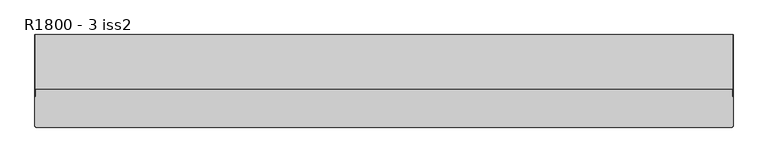
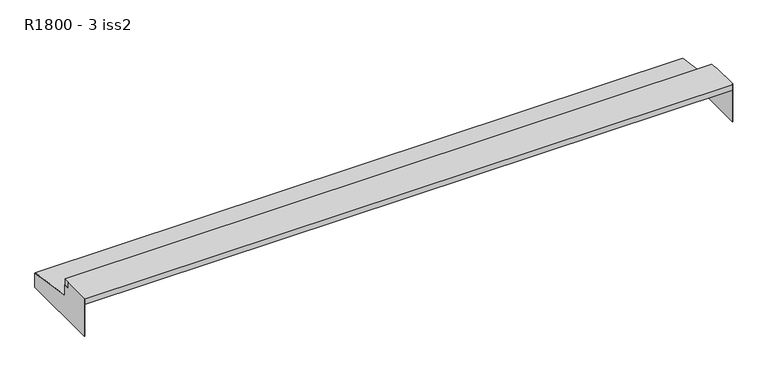
"""IFC4 building model written with IfcOpenShell, lengths in millimetres: proxy geometry, R1800 - 3 iss2."""

from ifc_helpers import new_model, si_unit, origin, place, context, project, spatial, faceted_brep, source, transform, mapped, element, save


def r1800_3_iss2_9baadf6c(model_context):
    return source(origin(), model_context, "Body", "Brep", [
        faceted_brep([(819.5, 2.0, -93.5), (819.5, 217.5270634, -93.5), (820.5, 217.5270634, -93.5), (820.5, 2.0, -93.5), (820.5, 87.9, -8.5), (819.5, 87.9, -8.5), (819.5, 71.0, -8.5), (820.5, 71.0, -8.5), (819.5, 2.0, -8.5), (819.5, 2.0, -7.5), (819.5, 71.0, -7.5), (819.5, 87.9, -37.5869287), (819.5, 217.5270634, -55.8048244), (819.5, 217.5270634, -57.7038416), (820.5, 2.0, -8.5), (820.5, 217.5270634, -57.7038416), (820.5, 217.5270634, -55.8048244), (820.5, 87.9, -37.5869287), (820.5, 71.0, 7.5), (820.5, 2.0, 7.5), (-820.5, 87.9, -8.5), (-819.5, 87.9, -8.5), (-819.5, 87.9, -37.5869287), (-820.5, 87.9, -37.5869287), (-819.5, 2.0, -93.5), (-819.5, 217.5270634, -93.5), (-819.5, 217.5270634, -55.8048244), (-819.5, 71.0, -8.5), (-819.5, 71.0, -7.5), (-819.5, 2.0, -7.5), (-819.5, 2.0, -8.5), (-818.5, 89.0, -8.5), (-818.5, 89.0, 7.5), (818.5, 89.0, 7.5), (818.5, 89.0, -8.5), (819.4, 89.0, -8.5), (819.4, 89.0, -24.5), (819.4, 89.0, -35.7614265), (819.4, 89.0, -36.6307133), (-819.4, 89.0, -36.6307133), (-819.4, 89.0, -35.7614265), (-819.4, 89.0, -24.5), (-819.4, 89.0, -8.5), (819.4, 72.0, -35.2513466), (-819.4, 72.0, -35.2513466), (-819.4, 89.7216538, -37.7419627), (-819.4, 217.5270634, -55.7038416), (819.4, 217.5270634, -55.7038416), (819.4, 89.7216538, -37.7419627), (-820.5, 217.5270634, -93.5), (-820.5, 2.0, -93.5), (-820.5, 2.0, -8.5), (-820.5, 2.0, 7.5), (-820.5, 71.0, 7.5), (-820.5, 71.0, -8.5), (-820.5, 217.5270634, -55.8048244), (818.5, 71.0, 7.5), (-818.5, 71.0, 7.5), (-818.5, 2.0, 7.5), (-818.5, 0.0, 7.5), (818.5, 0.0, 7.5), (818.5, 2.0, 7.5), (-818.5, 72.0, -8.5), (-818.5, 72.0, -7.5), (-818.5, 71.0, -7.5), (818.5, 71.0, -7.5), (-818.5, 2.0, -7.5), (819.4, 89.8608269, -36.7516946), (819.4, 217.6662365, -54.7135735), (-819.4, 217.6662365, -54.7135735), (-819.4, 89.8608269, -36.7516946), (-819.4, 72.0, -8.5), (-819.4, 72.0, -21.5), (819.4, 72.0, -21.5), (819.4, 72.0, -8.5), (818.5, 72.0, -8.5), (818.5, 72.0, -7.5), (-818.5, 0.0, -5.5), (-818.5, 0.0, -7.5), (818.5, 0.0, -7.5), (818.5, 0.0, -5.5), (818.5, 2.0, -7.5)], [[[0, 1, 2, 3]], [[4, 5, 6, 7]], [[1, 0, 8, 9, 10, 6, 5, 11, 12, 13]], [[0, 3, 14, 8]], [[3, 2, 15, 16, 17, 4, 7, 18, 19, 14]], [[20, 21, 22, 23]], [[24, 25, 26, 22, 21, 27, 28, 29, 30]], [[31, 32, 33, 34, 35, 36, 37, 38, 39, 40, 41, 42]], [[43, 44, 45, 46, 47, 48]], [[49, 50, 51, 52, 53, 54, 20, 23, 55]], [[18, 56, 33, 32, 57, 53, 52, 58, 59, 60, 61, 19]], [[57, 32, 31, 62, 63, 64]], [[56, 18, 7, 6, 10, 65]], [[58, 52, 51, 30, 29, 66]], [[38, 67, 68, 69, 70, 39]], [[62, 71, 72, 44, 43, 73, 74, 75, 76, 63]], [[77, 78, 79, 80, 60, 59]], [[80, 79, 81, 61, 60]], [[64, 63, 76, 65, 10, 9, 81, 79, 78, 66, 29, 28]], [[9, 8, 14, 19, 61, 81]], [[28, 27, 54, 53, 57, 64]], [[65, 76, 75, 34, 33, 56]], [[72, 71, 42, 41, 40, 39, 70, 45, 44]], [[42, 71, 62, 31]], [[34, 75, 74, 35]], [[35, 74, 73, 43, 48, 67, 38, 37, 36]], [[20, 54, 27, 21]], [[55, 23, 22, 26]], [[16, 15, 13, 12]], [[17, 16, 12, 11]], [[4, 17, 11, 5]], [[50, 49, 25, 24]], [[26, 25, 49, 55]], [[1, 13, 15, 2]], [[30, 51, 50, 24]], [[67, 48, 47, 68]], [[47, 46, 69, 68]], [[45, 70, 69, 46]], [[59, 58, 66, 78, 77]]]),
    ])


if __name__ == "__main__":
    model = new_model("IFC4")
    model_context = context("Model", 3, world=origin())
    ifc_project = project(units=[si_unit("LENGTHUNIT", "METRE", prefix="MILLI")], contexts=[model_context])
    site = spatial("IfcSite", under=ifc_project)
    building = spatial("IfcBuilding", under=site)
    placement = place(None, origin())
    r1800_3_iss2_shape = r1800_3_iss2_9baadf6c(model_context)
    element("IfcBuildingElementProxy", 1, Name="R1800 - 3 iss2", ObjectType="R1800 - 3 iss2", at=placement, inside=building, context=model_context, shape_type="MappedRepresentation", body=[
        mapped(r1800_3_iss2_shape, transform((0.0, 0.0, 0.0), x_axis=(1.0, 0.0, 0.0), y_axis=(0.0, 1.0, 0.0), z_axis=(0.0, 0.0, 1.0))),
    ])
    save(model, "model.ifc")
